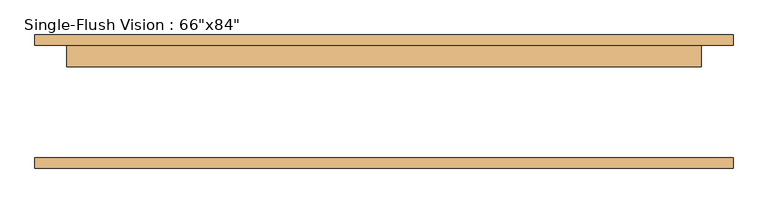
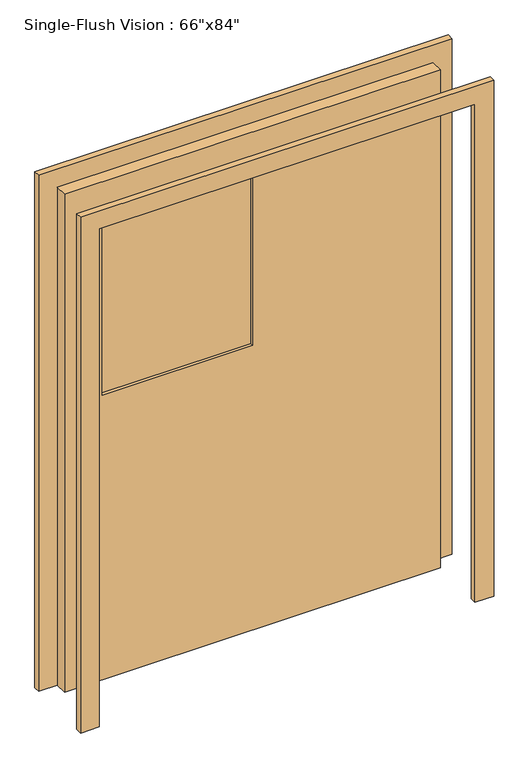
"""IFC4 building model written with IfcOpenShell, lengths in millimetres: door geometry."""

from ifc_helpers import new_model, si_unit, frame, origin, place, context, project, spatial, polyline, outline, extrude, source, transform, mapped, element, save


def door_e67d2eb8(model_context):
    return source(origin(), model_context, "Body", "SweptSolid", [
        extrude(outline(polyline([(2209.8, -838.2), (0.0, -838.2), (0.0, -762.0), (2133.6, -762.0), (2133.6, 762.0), (0.0, 762.0), (0.0, 838.2), (2209.8, 838.2), (2209.8, -838.2)])), frame((0.0, 134.9375, 0.0), z_axis=(0.0, 1.0, 0.0), x_axis=(0.0, 0.0, 1.0)), (0.0, 0.0, 1.0), 25.4),
        extrude(outline(polyline([(2133.6, 762.0), (0.0, 762.0), (0.0, 838.2), (2209.8, 838.2), (2209.8, -838.2), (0.0, -838.2), (0.0, -762.0), (2133.6, -762.0), (2133.6, 762.0)])), frame((0.0, -160.3375, 0.0), z_axis=(0.0, 1.0, 0.0), x_axis=(0.0, 0.0, 1.0)), (0.0, 0.0, 1.0), 25.4),
        extrude(outline(polyline([(0.0, 96.8375), (-609.6, 96.8375), (-609.6, 103.1875), (0.0, 103.1875), (0.0, 96.8375)])), frame((0.0, 0.0, 1219.2), z_axis=(0.0, 0.0, 1.0), x_axis=(1.0, 0.0, 0.0)), (0.0, 0.0, 1.0), 762.0),
        extrude(outline(polyline([(0.0, 115.8875), (-609.6, 115.8875), (-609.6, 122.2375), (0.0, 122.2375), (0.0, 115.8875)])), frame((0.0, 0.0, 1219.2), z_axis=(0.0, 0.0, 1.0), x_axis=(1.0, 0.0, 0.0)), (0.0, 0.0, 1.0), 762.0),
        extrude(outline(polyline([(2133.6, -762.0), (0.0, -762.0), (0.0, 762.0), (2133.6, 762.0), (2133.6, -762.0)]), holes=[polyline([(1981.2, -609.6), (1981.2, 0.0), (1219.2, 0.0), (1219.2, -609.6), (1981.2, -609.6)])]), frame((0.0, 84.1375, 0.0), z_axis=(0.0, 1.0, 0.0), x_axis=(0.0, 0.0, 1.0)), (0.0, 0.0, 1.0), 50.8),
    ])


if __name__ == "__main__":
    model = new_model("IFC4")
    model_context = context("Model", 3, world=origin())
    ifc_project = project(units=[si_unit("LENGTHUNIT", "METRE", prefix="MILLI")], contexts=[model_context])
    site = spatial("IfcSite", under=ifc_project)
    building = spatial("IfcBuilding", under=site)
    placement = place(None, origin())
    door_shape = door_e67d2eb8(model_context)
    element("IfcDoor", 1, ObjectType="Single-Flush Vision : 66\"x84\"", at=placement, inside=building, context=model_context, shape_type="MappedRepresentation", body=[
        mapped(door_shape, transform((0.0, 0.0, 0.0), x_axis=(1.0, 0.0, 0.0), y_axis=(0.0, 1.0, 0.0), z_axis=(0.0, 0.0, 1.0))),
    ])
    save(model, "model.ifc")
